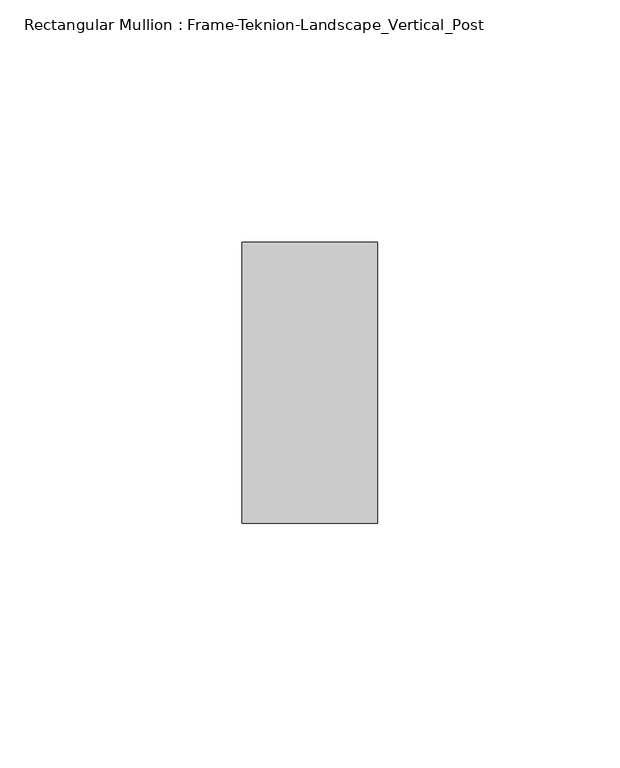
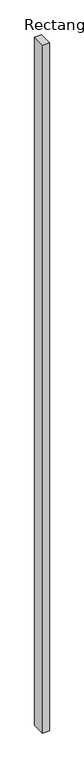
"""IFC4 building model written with IfcOpenShell, lengths in millimetres: member geometry, Rectangular Mullion : Frame-Teknion-Landscape_Vertical_Post."""

from ifc_helpers import new_model, si_unit, frame, origin, place, context, project, spatial, polyline, outline, extrude, source, transform, mapped, element, save


def rectangular_mullion_frame_teknion_landscape_vertical_post_5ea4eea9(model_context):
    return source(origin(), model_context, "Body", "SweptSolid", [
        extrude(outline(polyline([(-27.9796875, 28.971875), (0.0, 28.971875), (0.0, -28.971875), (-27.9796875, -28.971875), (-27.9796875, 28.971875)])), frame((0.0, 0.0, -3048.0), z_axis=(0.0, 0.0, 1.0), x_axis=(1.0, 0.0, 0.0)), (0.0, 0.0, 1.0), 3048.0),
    ])


if __name__ == "__main__":
    model = new_model("IFC4")
    model_context = context("Model", 3, world=origin())
    ifc_project = project(units=[si_unit("LENGTHUNIT", "METRE", prefix="MILLI")], contexts=[model_context])
    site = spatial("IfcSite", under=ifc_project)
    building = spatial("IfcBuilding", under=site)
    placement = place(None, origin())
    rectangular_mullion_frame_teknion_landscape_vertical_post_shape = rectangular_mullion_frame_teknion_landscape_vertical_post_5ea4eea9(model_context)
    element("IfcMember", 1, ObjectType="Rectangular Mullion : Frame-Teknion-Landscape_Vertical_Post", at=placement, inside=building, context=model_context, shape_type="MappedRepresentation", body=[
        mapped(rectangular_mullion_frame_teknion_landscape_vertical_post_shape, transform((0.0, 0.0, 0.0), x_axis=(1.0, 0.0, 0.0), y_axis=(0.0, 1.0, 0.0), z_axis=(0.0, 0.0, 1.0))),
    ])
    save(model, "model.ifc")
